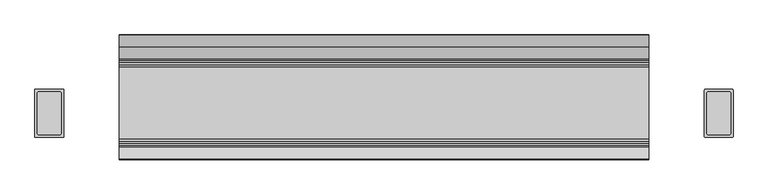
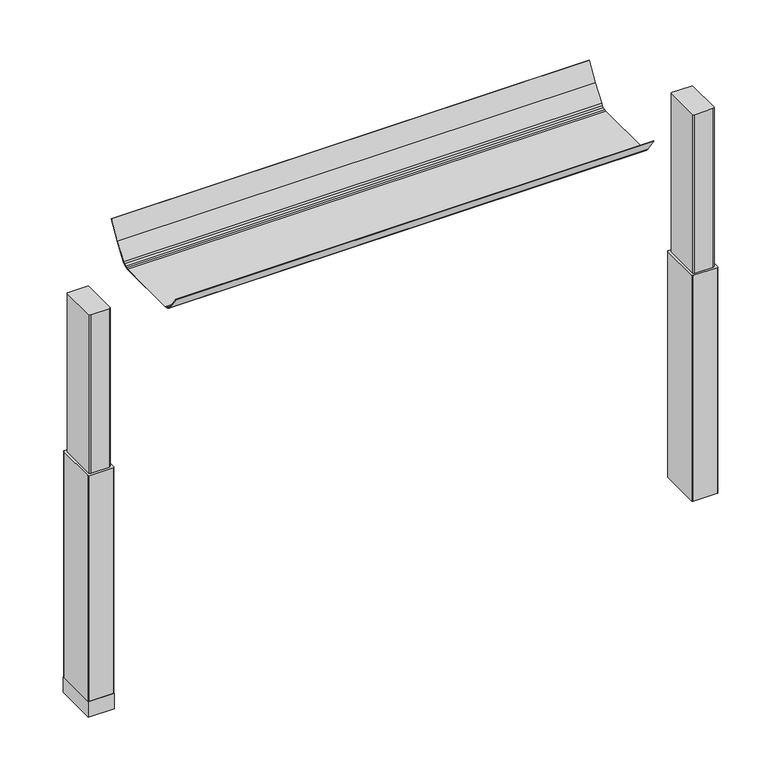
"""IFC4 building model written with IfcOpenShell, lengths in millimetres: furniture geometry."""

from ifc_helpers import new_model, si_unit, point, frame, frame_2d, origin, place, context, project, spatial, polyline, circle_curve, trimmed, segment, composite_curve, outline, extrude, source, transform, mapped, element, save
from ifc_brep_helpers import plane_surface, cylinder_surface, revolved_surface, advanced_brep


def furniture_0872079b(model_context):
    return source(origin(), model_context, "Body", "SolidModel", [
        extrude(outline(polyline([(55.272954, 952.2870648), (50.1740464, 952.888627), (45.3456348, 954.6650084), (41.0496397, 957.5308218), (37.5298328, 961.3414904), (12.4262052, 995.9838526), (13.1647048, 996.5190068), (38.2683233, 961.8766321), (41.6416276, 958.2245295), (45.7588181, 955.4780401), (50.386261, 953.7755641), (55.272954, 953.1990731), (204.7515752, 953.1990731), (209.6382319, 953.7755641), (214.2656929, 955.4780401), (218.3829016, 958.2245295), (221.756215, 961.8766321), (246.9223387, 996.6052536), (271.6523609, 1036.6637096), (272.3908469, 1036.1285679), (247.6608202, 996.0701118), (222.4946964, 961.3414904), (218.9748804, 957.5308218), (214.6788853, 954.6650084), (209.8504555, 952.8885906), (204.7515752, 952.2870648), (55.272954, 952.2870648)])), frame((-551.2773962, 0.0, 0.0), z_axis=(1.0, 0.0, 0.0), x_axis=(0.0, 1.0, 0.0)), (0.0, 0.0, 1.0), 1102.7393535),
        advanced_brep(
        [(675.0283088, 153.9682497, 986.1442785), (672.2624028, 151.6150111, 986.1442785), (672.2624028, 66.8413858, 986.1442785), (675.3159671, 64.491987, 986.1442785), (718.6299922, 64.4717503, 986.1442785), (721.6895972, 66.8414936, 986.1442785), (721.6895972, 151.6150956, 986.1442785), (718.9236912, 153.9682497, 986.1442785), (675.0283088, 153.9682497, 599.0990058), (718.9236912, 153.9682497, 599.0990058), (721.6895972, 151.6150956, 599.0990058), (721.6895972, 66.8414936, 599.0990058), (718.6360098, 64.4919923, 599.0990058), (675.3220078, 64.4717503, 599.0990058), (672.2624028, 66.8413858, 599.0990058), (672.2624028, 151.6150111, 599.0990058)],
        [
            (0, 1, circle_curve(frame((675.3300788, 150.8114719, 986.1442785), z_axis=(0.0, 0.0, 1.0), x_axis=(1.0, 0.0, 0.0)), 3.1711688)),
            (1, 2),
            (2, 3, circle_curve(frame((675.3159671, 67.651078, 986.1442785), z_axis=(0.0, 0.0, 1.0), x_axis=(1.0, 0.0, 0.0)), 3.1590911)),
            (3, 4),
            (4, 5, circle_curve(frame((718.6360098, 67.651078, 986.1442785), z_axis=(0.0, 0.0, 1.0), x_axis=(1.0, 0.0, 0.0)), 3.1590858)),
            (5, 6),
            (6, 7, circle_curve(frame((718.6219439, 150.8114698, 986.1442785), z_axis=(0.0, 0.0, 1.0), x_axis=(1.0, 0.0, 0.0)), 3.1711687)),
            (7, 0),
            (8, 9),
            (9, 10, circle_curve(frame((718.6219439, 150.8114698, 599.0990058), z_axis=(0.0, 0.0, -1.0), x_axis=(1.0, 0.0, 0.0)), 3.1711687)),
            (10, 11),
            (11, 12, circle_curve(frame((718.6360098, 67.651078, 599.0990058), z_axis=(0.0, 0.0, -1.0), x_axis=(1.0, 0.0, 0.0)), 3.1590858)),
            (12, 13),
            (13, 14, circle_curve(frame((675.3159671, 67.651078, 599.0990058), z_axis=(0.0, 0.0, -1.0), x_axis=(1.0, 0.0, 0.0)), 3.1590911)),
            (14, 15),
            (15, 8, circle_curve(frame((675.3300788, 150.8114719, 599.0990058), z_axis=(0.0, 0.0, -1.0), x_axis=(1.0, 0.0, 0.0)), 3.1711688)),
            (7, 9),
            (8, 0),
            (6, 10),
            (5, 11),
            (4, 12),
            (3, 13),
            (2, 14),
            (1, 15),
        ],
        [
            plane_surface(frame((678.5012476, 150.8114719, 986.1442785), z_axis=(0.0, 0.0, 1.0), x_axis=(0.0, 1.0, 0.0))),
            plane_surface(frame((678.5012476, 150.8114719, 599.0990058), z_axis=(0.0, 0.0, -1.0), x_axis=(0.0, -1.0, 0.0))),
            plane_surface(frame((718.9236912, 153.9682497, 986.1442785), z_axis=(0.0, 1.0, 0.0), x_axis=(0.0, 0.0, -1.0))),
            cylinder_surface(frame((718.6219439, 150.8114698, 599.0990058), z_axis=(0.0, 0.0, 1.0), x_axis=(1.0, 0.0, 0.0)), 3.1711687),
            plane_surface(frame((721.6895972, 66.8414936, 986.1442785), z_axis=(1.0, 0.0, 0.0), x_axis=(0.0, 0.0, -1.0))),
            cylinder_surface(frame((718.6360098, 67.651078, 599.0990058), z_axis=(0.0, 0.0, 1.0), x_axis=(1.0, 0.0, 0.0)), 3.1590858),
            plane_surface(frame((675.3220078, 64.4717503, 986.1442785), z_axis=(0.0, -1.0, 0.0), x_axis=(0.0, 0.0, -1.0))),
            cylinder_surface(frame((675.3159671, 67.651078, 599.0990058), z_axis=(0.0, 0.0, 1.0), x_axis=(1.0, 0.0, 0.0)), 3.1590911),
            plane_surface(frame((672.2624028, 151.6150111, 986.1442785), z_axis=(-1.0, 0.0, 0.0), x_axis=(0.0, 0.0, -1.0))),
            cylinder_surface(frame((675.3300788, 150.8114719, 599.0990058), z_axis=(0.0, 0.0, 1.0), x_axis=(1.0, 0.0, 0.0)), 3.1711688),
        ],
        [
            (0, [[1, 2, 3, 4, 5, 6, 7, 8]]),
            (1, [[9, 10, 11, 12, 13, 14, 15, 16]]),
            (2, [[-8, 17, -9, 18]]),
            (3, [[-7, 19, -10, -17]]),
            (4, [[-6, 20, -11, -19]]),
            (5, [[-5, 21, -12, -20]]),
            (6, [[-4, 22, -13, -21]]),
            (7, [[-3, 23, -14, -22]]),
            (8, [[-2, 24, -15, -23]]),
            (9, [[-1, -18, -16, -24]]),
        ],
    ),
        advanced_brep(
        [(-675.0283088, 153.9682497, 986.1442785), (-718.9236912, 153.9682497, 986.1442785), (-721.6806448, 151.6485241, 986.1442785), (-721.6806448, 66.8084508, 986.1442785), (-718.6360098, 64.4919923, 986.1442785), (-675.3220078, 64.4717503, 986.1442785), (-672.2713552, 66.8083475, 986.1442785), (-672.2713552, 151.6484433, 986.1442785), (-675.0283088, 153.9682497, 599.0990058), (-672.2713552, 151.6484433, 599.0990058), (-672.2713552, 66.8083475, 599.0990058), (-675.3159671, 64.491987, 599.0990058), (-718.6299922, 64.4717503, 599.0990058), (-721.6806448, 66.8084508, 599.0990058), (-721.6806448, 151.6485241, 599.0990058), (-718.9236912, 153.9682497, 599.0990058)],
        [
            (0, 1),
            (1, 2, circle_curve(frame((-718.6219439, 150.8114698, 986.1442785), z_axis=(0.0, 0.0, 1.0), x_axis=(-1.0, 0.0, 0.0)), 3.1711687)),
            (2, 3),
            (3, 4, circle_curve(frame((-718.6360098, 67.651078, 986.1442785), z_axis=(0.0, 0.0, 1.0), x_axis=(-1.0, 0.0, 0.0)), 3.1590858)),
            (4, 5),
            (5, 6, circle_curve(frame((-675.3159671, 67.6510781, 986.1442785), z_axis=(0.0, 0.0, 1.0), x_axis=(-1.0, 0.0, 0.0)), 3.1590911)),
            (6, 7),
            (7, 0, circle_curve(frame((-675.3300788, 150.8114719, 986.1442785), z_axis=(0.0, 0.0, 1.0), x_axis=(-1.0, 0.0, 0.0)), 3.1711688)),
            (8, 9, circle_curve(frame((-675.3300788, 150.8114719, 599.0990058), z_axis=(0.0, 0.0, -1.0), x_axis=(-1.0, 0.0, 0.0)), 3.1711688)),
            (9, 10),
            (10, 11, circle_curve(frame((-675.3159671, 67.6510781, 599.0990058), z_axis=(0.0, 0.0, -1.0), x_axis=(-1.0, 0.0, 0.0)), 3.1590911)),
            (11, 12),
            (12, 13, circle_curve(frame((-718.6360098, 67.651078, 599.0990058), z_axis=(0.0, 0.0, -1.0), x_axis=(-1.0, 0.0, 0.0)), 3.1590858)),
            (13, 14),
            (14, 15, circle_curve(frame((-718.6219439, 150.8114698, 599.0990058), z_axis=(0.0, 0.0, -1.0), x_axis=(-1.0, 0.0, 0.0)), 3.1711687)),
            (15, 8),
            (0, 8),
            (15, 1),
            (14, 2),
            (13, 3),
            (12, 4),
            (11, 5),
            (10, 6),
            (9, 7),
        ],
        [
            plane_surface(frame((-718.9236912, 153.9682497, 986.1442785), z_axis=(0.0, 0.0, 1.0), x_axis=(-1.0, 0.0, 0.0))),
            plane_surface(frame((-718.9236912, 153.9682497, 599.0990058), z_axis=(0.0, 0.0, -1.0), x_axis=(1.0, 0.0, 0.0))),
            plane_surface(frame((-675.0283088, 153.9682497, 986.1442785), z_axis=(0.0, 1.0, 0.0), x_axis=(0.0, 0.0, -1.0))),
            cylinder_surface(frame((-718.6219439, 150.8114698, 599.0990058), z_axis=(0.0, 0.0, 1.0), x_axis=(-1.0, 0.0, 0.0)), 3.1711687),
            plane_surface(frame((-721.6806448, 151.6485241, 986.1442785), z_axis=(-1.0, 0.0, 0.0), x_axis=(0.0, 0.0, -1.0))),
            cylinder_surface(frame((-718.6360098, 67.651078, 599.0990058), z_axis=(0.0, 0.0, 1.0), x_axis=(-1.0, 0.0, 0.0)), 3.1590858),
            plane_surface(frame((-718.6299922, 64.4717503, 986.1442785), z_axis=(0.0, -1.0, 0.0), x_axis=(0.0, 0.0, -1.0))),
            cylinder_surface(frame((-675.3159671, 67.6510781, 599.0990058), z_axis=(0.0, 0.0, 1.0), x_axis=(-1.0, 0.0, 0.0)), 3.1590911),
            plane_surface(frame((-672.2713552, 66.8083475, 986.1442785), z_axis=(1.0, 1.254026111095358e-12, 0.0), x_axis=(0.0, 0.0, -1.0))),
            cylinder_surface(frame((-675.3300788, 150.8114719, 599.0990058), z_axis=(0.0, 0.0, 1.0), x_axis=(-1.0, 0.0, 0.0)), 3.1711688),
        ],
        [
            (0, [[1, 2, 3, 4, 5, 6, 7, 8]]),
            (1, [[9, 10, 11, 12, 13, 14, 15, 16]]),
            (2, [[-1, 17, -16, 18]]),
            (3, [[-2, -18, -15, 19]]),
            (4, [[-3, -19, -14, 20]]),
            (5, [[-4, -20, -13, 21]]),
            (6, [[-5, -21, -12, 22]]),
            (7, [[-6, -22, -11, 23]]),
            (8, [[-7, -23, -10, 24]]),
            (9, [[-8, -24, -9, -17]]),
        ],
    ),
        extrude(outline(composite_curve([segment(trimmed(circle_curve(frame_2d((-669.316092, 156.945908)), 2.248592), [point((-669.316092, 159.1945))], [point((-667.0675, 156.945908))], False, "CARTESIAN"), True, "CONTINUOUS"), segment(polyline([(-667.0675, 156.945908), (-667.0675, 61.4941469)]), True, "CONTINUOUS"), segment(trimmed(circle_curve(frame_2d((-669.3161469, 61.4941469)), 2.2486469), [point((-667.0675, 61.4941469))], [point((-669.3161469, 59.2455))], False, "CARTESIAN"), True, "CONTINUOUS"), segment(polyline([(-669.3161469, 59.2455), (-724.635908, 59.2455)]), True, "CONTINUOUS"), segment(trimmed(circle_curve(frame_2d((-724.635908, 61.494092)), 2.248592), [point((-724.635908, 59.2455))], [point((-726.8845, 61.494092))], False, "CARTESIAN"), True, "CONTINUOUS"), segment(polyline([(-726.8845, 61.494092), (-726.8845, 156.945908)]), True, "CONTINUOUS"), segment(trimmed(circle_curve(frame_2d((-724.635908, 156.945908)), 2.248592), [point((-726.8845, 156.945908))], [point((-724.635908, 159.1945))], False, "CARTESIAN"), True, "CONTINUOUS"), segment(polyline([(-724.635908, 159.1945), (-669.316092, 159.1945)]), True, "CONTINUOUS")], self_intersect=False)), frame((0.0, 0.0, 48.1000573), z_axis=(0.0, 0.0, 1.0), x_axis=(1.0, 0.0, 0.0)), (0.0, 0.0, 1.0), 550.9989485),
        advanced_brep(
        [(-696.976, 127.2221653, 10.2361894), (-696.976, 141.2419153, 10.2361894), (-696.976, 140.8547401, 8.7946116), (-696.976, 127.6093405, 8.7946116), (-696.976, 134.2320403, 10.2361894), (-696.976, 113.2751519, 0.0), (-696.976, 155.1889286, 0.0), (-696.976, 134.2320403, 0.0), (-696.976, 111.7314216, 1.5436985), (-696.976, 156.732659, 1.5436985), (-696.976, 111.7314763, 4.1072626), (-696.976, 156.7326043, 4.1072626), (-696.976, 113.2713167, 5.9174378), (-696.976, 155.1927639, 5.9174378)],
        [
            (0, 1, circle_curve(frame((-696.976, 134.2320403, 10.2361894), z_axis=(0.0, 0.0, -1.0), x_axis=(0.0, 1.0, 0.0)), 7.009875)),
            (1, 2),
            (2, 3, circle_curve(frame((-696.976, 134.2320403, 8.7946116), z_axis=(0.0, 0.0, 1.0), x_axis=(0.0, 1.0, 0.0)), 6.6226998)),
            (3, 0),
            (1, 0, circle_curve(frame((-696.976, 134.2320403, 10.2361894), z_axis=(0.0, 0.0, -1.0), x_axis=(0.0, 1.0, 0.0)), 7.009875)),
            (3, 2, circle_curve(frame((-696.976, 134.2320403, 8.7946116), z_axis=(0.0, 0.0, 1.0), x_axis=(0.0, 1.0, 0.0)), 6.6226998)),
            (4, 1),
            (0, 4),
            (5, 6, circle_curve(frame((-696.976, 134.2320403, 0.0), z_axis=(0.0, 0.0, -1.0), x_axis=(0.0, 1.0, 0.0)), 20.9568884)),
            (6, 7),
            (7, 5),
            (6, 5, circle_curve(frame((-696.976, 134.2320403, 0.0), z_axis=(0.0, 0.0, -1.0), x_axis=(0.0, 1.0, 0.0)), 20.9568884)),
            (8, 9, circle_curve(frame((-696.976, 134.2320403, 1.5436985), z_axis=(0.0, 0.0, -1.0), x_axis=(0.0, 1.0, 0.0)), 22.5006187)),
            (9, 6),
            (5, 8),
            (9, 8, circle_curve(frame((-696.976, 134.2320403, 1.5436985), z_axis=(0.0, 0.0, -1.0), x_axis=(0.0, 1.0, 0.0)), 22.5006187)),
            (10, 11, circle_curve(frame((-696.976, 134.2320403, 4.1072626), z_axis=(0.0, 0.0, -1.0), x_axis=(0.0, 1.0, 0.0)), 22.500564)),
            (11, 9),
            (8, 10),
            (11, 10, circle_curve(frame((-696.976, 134.2320403, 4.1072626), z_axis=(0.0, 0.0, -1.0), x_axis=(0.0, 1.0, 0.0)), 22.500564)),
            (12, 13, circle_curve(frame((-696.976, 134.2320403, 5.9174378), z_axis=(0.0, 0.0, -1.0), x_axis=(0.0, 1.0, 0.0)), 20.9607236)),
            (13, 11),
            (10, 12),
            (13, 12, circle_curve(frame((-696.976, 134.2320403, 5.9174378), z_axis=(0.0, 0.0, -1.0), x_axis=(0.0, 1.0, 0.0)), 20.9607236)),
            (2, 13),
            (12, 3),
        ],
        [
            revolved_surface(polyline([(-696.976, 140.8547401, 8.7946116), (-696.976, 141.2419153, 10.2361894)]), (-696.976, 134.2320403, 0.0), (0.0, 0.0, 1.0)),
            plane_surface(frame((-696.976, 134.2320403, 10.2361894), z_axis=(0.0, 0.0, 1.0), x_axis=(0.0, 1.0, 0.0))),
            plane_surface(frame((-696.976, 134.2320403, 0.0), z_axis=(0.0, 0.0, -1.0), x_axis=(0.0, 1.0, 0.0))),
            revolved_surface(polyline([(-696.976, 155.1889286, 0.0), (-696.976, 156.732659, 1.5436985)]), (-696.976, 134.2320403, 0.0), (0.0, 0.0, 1.0)),
            cylinder_surface(frame((-696.976, 134.2320403, 0.0), z_axis=(0.0, 0.0, 1.0), x_axis=(0.0, 1.0, 0.0)), 22.500564),
            revolved_surface(polyline([(-696.976, 156.7327498, 4.1072626), (-696.976, 155.1927639, 5.9174378)]), (-696.976, 134.2320403, 0.0), (0.0, 0.0, 1.0)),
            revolved_surface(polyline([(-696.976, 155.1927639, 5.9174378), (-696.976, 140.8547401, 8.7946116)]), (-696.976, 134.2320403, 0.0), (0.0, 0.0, 1.0)),
        ],
        [
            (0, [[1, 2, 3, 4]]),
            (0, [[5, -4, 6, -2]]),
            (1, [[7, -1, 8]]),
            (1, [[-8, -5, -7]]),
            (2, [[9, 10, 11]]),
            (2, [[12, -11, -10]]),
            (3, [[13, 14, -9, 15]]),
            (3, [[16, -15, -12, -14]]),
            (4, [[17, 18, -13, 19]]),
            (4, [[20, -19, -16, -18]]),
            (5, [[21, 22, -17, 23]]),
            (5, [[24, -23, -20, -22]]),
            (6, [[-3, 25, -21, 26]]),
            (6, [[-6, -26, -24, -25]]),
        ],
    ),
        extrude(outline(polyline([(-667.0675, 158.9882127), (-667.0675, 59.6052169), (-726.8845, 59.6052169), (-726.8845, 158.9882127), (-667.0675, 158.9882127)])), frame((0.0, 0.0, 10.2361894), z_axis=(0.0, 0.0, 1.0), x_axis=(1.0, 0.0, 0.0)), (0.0, 0.0, 1.0), 37.8638679),
        extrude(outline(composite_curve([segment(trimmed(circle_curve(frame_2d((724.5521079, 156.8621079)), 2.3323921), [point((724.5521079, 159.1945))], [point((726.8845, 156.8621079))], False, "CARTESIAN"), True, "CONTINUOUS"), segment(polyline([(726.8845, 156.8621079), (726.8845, 61.5778921)]), True, "CONTINUOUS"), segment(trimmed(circle_curve(frame_2d((724.5521079, 61.5778921)), 2.3323921), [point((726.8845, 61.5778921))], [point((724.5521079, 59.2455))], False, "CARTESIAN"), True, "CONTINUOUS"), segment(polyline([(724.5521079, 59.2455), (669.3998921, 59.2455)]), True, "CONTINUOUS"), segment(trimmed(circle_curve(frame_2d((669.3998921, 61.5778921)), 2.3323921), [point((669.3998921, 59.2455))], [point((667.0675, 61.5778921))], False, "CARTESIAN"), True, "CONTINUOUS"), segment(polyline([(667.0675, 61.5778921), (667.0675, 156.8621079)]), True, "CONTINUOUS"), segment(trimmed(circle_curve(frame_2d((669.3998921, 156.8621079)), 2.3323921), [point((667.0675, 156.8621079))], [point((669.3998921, 159.1945))], False, "CARTESIAN"), True, "CONTINUOUS"), segment(polyline([(669.3998921, 159.1945), (724.5521079, 159.1945)]), True, "CONTINUOUS")], self_intersect=False)), frame((0.0, 0.0, 48.1000573), z_axis=(0.0, 0.0, 1.0), x_axis=(1.0, 0.0, 0.0)), (0.0, 0.0, 1.0), 550.9989485),
    ])


if __name__ == "__main__":
    model = new_model("IFC4")
    model_context = context("Model", 3, world=origin())
    ifc_project = project(units=[si_unit("LENGTHUNIT", "METRE", prefix="MILLI")], contexts=[model_context])
    site = spatial("IfcSite", under=ifc_project)
    building = spatial("IfcBuilding", under=site)
    placement = place(None, origin())
    furniture_shape = furniture_0872079b(model_context)
    element("IfcFurniture", 1, at=placement, inside=building, context=model_context, shape_type="MappedRepresentation", body=[
        mapped(furniture_shape, transform((0.0, 0.0, 0.0), x_axis=(1.0, 0.0, 0.0), y_axis=(0.0, 1.0, 0.0), z_axis=(0.0, 0.0, 1.0))),
    ])
    save(model, "model.ifc")
